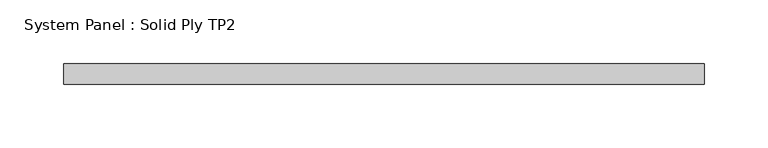
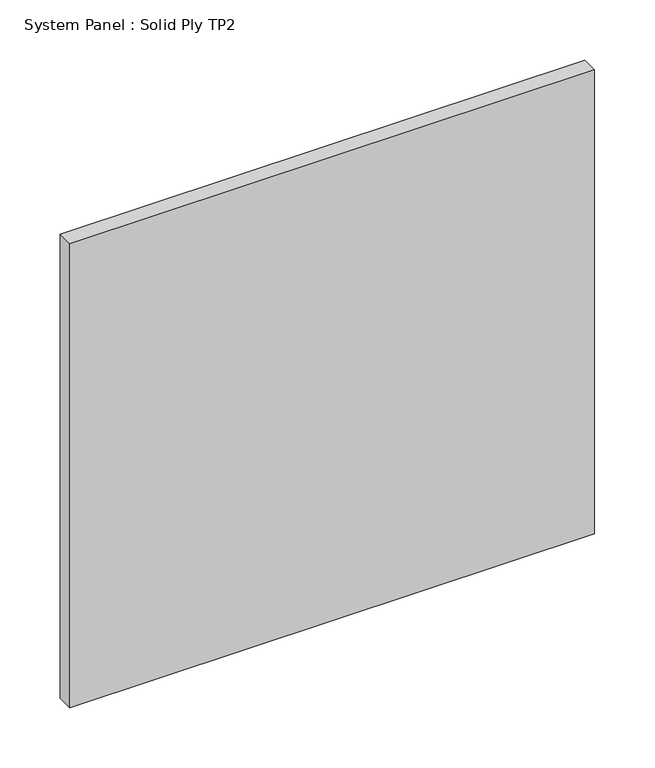
"""IFC4 building model written with IfcOpenShell, lengths in millimetres: plate geometry, System Panel : Solid Ply TP2."""

from ifc_helpers import new_model, si_unit, origin, origin_with_axes, place, context, project, spatial, polyline, outline, extrude, source, transform, mapped, element, save


def system_panel_solid_ply_tp2_e25dc157(model_context):
    return source(origin(), model_context, "Body", "SweptSolid", [
        extrude(outline(polyline([(251.5000005, -23.0), (-251.5000005, -23.0), (-251.5000005, -7.0), (251.5000005, -7.0), (251.5000005, -23.0)])), origin_with_axes(), (0.0, 0.0, 1.0), 470.0),
    ])


if __name__ == "__main__":
    model = new_model("IFC4")
    model_context = context("Model", 3, world=origin())
    ifc_project = project(units=[si_unit("LENGTHUNIT", "METRE", prefix="MILLI")], contexts=[model_context])
    site = spatial("IfcSite", under=ifc_project)
    building = spatial("IfcBuilding", under=site)
    placement = place(None, origin())
    system_panel_solid_ply_tp2_shape = system_panel_solid_ply_tp2_e25dc157(model_context)
    element("IfcPlate", 1, ObjectType="System Panel : Solid Ply TP2", at=placement, inside=building, context=model_context, shape_type="MappedRepresentation", body=[
        mapped(system_panel_solid_ply_tp2_shape, transform((0.0, 0.0, 0.0), x_axis=(1.0, 0.0, 0.0), y_axis=(0.0, 1.0, 0.0), z_axis=(0.0, 0.0, 1.0))),
    ])
    save(model, "model.ifc")
